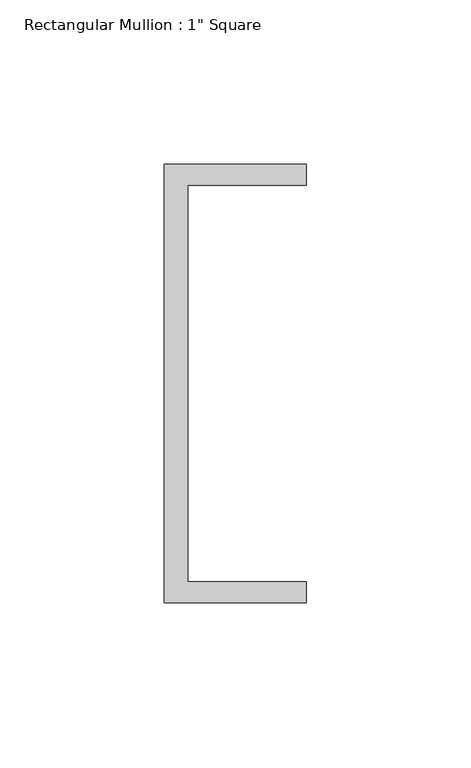
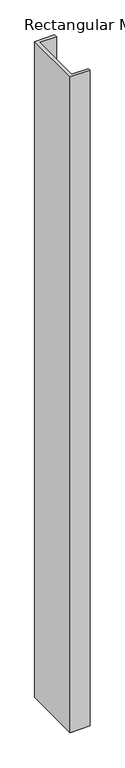
"""IFC4 building model written with IfcOpenShell, lengths in millimetres: member geometry."""

from ifc_helpers import new_model, si_unit, frame, origin, place, context, project, spatial, polyline, outline, extrude, source, transform, mapped, element, save


def member_a6c24443(model_context):
    return source(origin(), model_context, "Body", "SweptSolid", [
        extrude(outline(polyline([(-18.6549463, 135.2608739), (24.5675083, 135.2608739), (24.5675083, 128.9108739), (-11.6110886, 128.9108739), (-11.6110886, 8.2608739), (24.5675083, 8.2608739), (24.5675083, 1.9108739), (-18.6549463, 1.9108739), (-18.6549463, 135.2608739)])), frame((0.0, 0.0, -1504.1764134), z_axis=(0.0, 0.0, 1.0), x_axis=(1.0, 0.0, 0.0)), (0.0, 0.0, 1.0), 1504.1764134),
    ])


if __name__ == "__main__":
    model = new_model("IFC4")
    model_context = context("Model", 3, world=origin())
    ifc_project = project(units=[si_unit("LENGTHUNIT", "METRE", prefix="MILLI")], contexts=[model_context])
    site = spatial("IfcSite", under=ifc_project)
    building = spatial("IfcBuilding", under=site)
    placement = place(None, origin())
    member_shape = member_a6c24443(model_context)
    element("IfcMember", 1, ObjectType="Rectangular Mullion : 1\" Square", at=placement, inside=building, context=model_context, shape_type="MappedRepresentation", body=[
        mapped(member_shape, transform((0.0, 0.0, 0.0), x_axis=(1.0, 0.0, 0.0), y_axis=(0.0, 1.0, 0.0), z_axis=(0.0, 0.0, 1.0))),
    ])
    save(model, "model.ifc")
